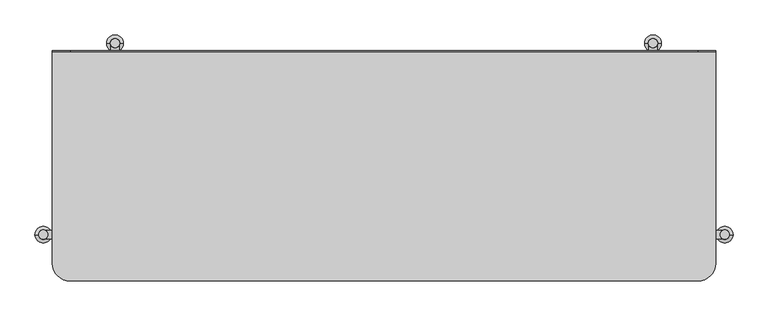
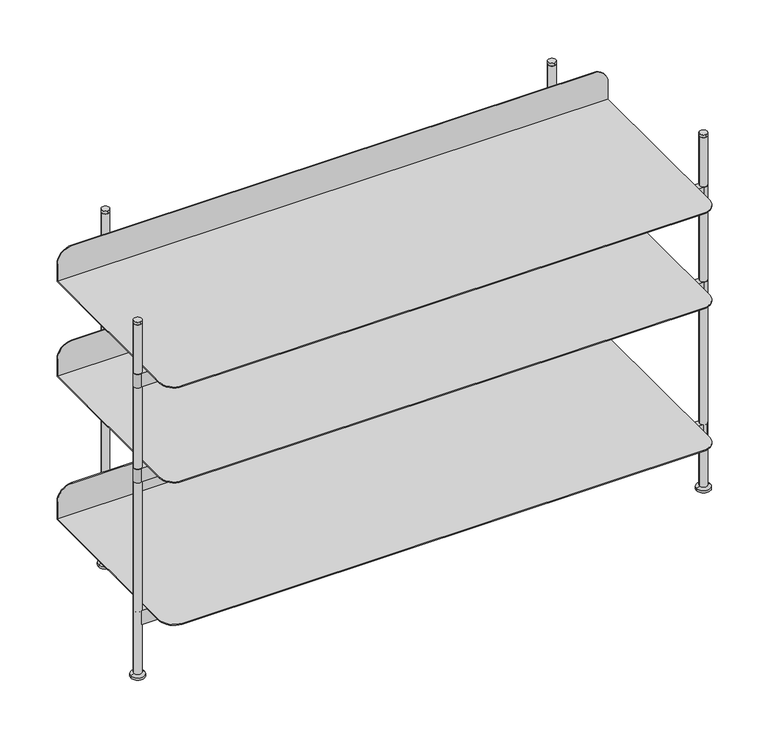
"""IFC4 building model written with IfcOpenShell, lengths in millimetres: furniture geometry."""

from ifc_helpers import new_model, si_unit, point, frame, frame_2d, origin, origin_with_axes, place, context, project, spatial, polyline, circle_curve, trimmed, segment, composite_curve, outline, extrude, source, transform, mapped, element, save
from ifc_brep_helpers import plane_surface, cylinder_surface, revolved_surface, advanced_brep


def furniture_5d4faed7(model_context):
    return source(origin(), model_context, "Body", "SolidModel", [
        advanced_brep(
        [(-575.0000044, -169.5200015, 672.966396), (-544.5200044, -200.0000015, 672.966396), (544.5200044, -200.0000015, 672.966396), (575.0000044, -169.5200015, 672.966396), (575.0000044, 197.9999964, 672.966396), (-575.0000044, 197.9999964, 672.966396), (-575.0000044, -169.5200015, 670.9664), (-575.0000044, 200.0000015, 670.9664), (575.0000044, 200.0000015, 670.9664), (575.0000044, -169.5200015, 670.9664), (544.5200044, -200.0000015, 670.9664), (-544.5200044, -200.0000015, 670.9664), (-575.0000044, 197.9999964, 710.486406), (-575.0000044, 200.0000015, 710.486406), (575.0000044, 200.0000015, 710.486406), (575.0000044, 197.9999964, 710.486406), (-544.5200044, 200.0000015, 740.966406), (544.5200044, 200.0000015, 740.966406), (544.5200044, 197.9999964, 740.966406), (-544.5200044, 197.9999964, 740.966406)],
        [
            (0, 1, circle_curve(frame((-544.5200044, -169.5200015, 672.966396), z_axis=(0.0, 0.0, 1.0), x_axis=(1.0, 0.0, 0.0)), 30.48)),
            (1, 2),
            (2, 3, circle_curve(frame((544.5200044, -169.5200015, 672.966396), z_axis=(0.0, 0.0, 1.0), x_axis=(1.0, 0.0, 0.0)), 30.48)),
            (3, 4),
            (4, 5),
            (5, 0),
            (6, 7),
            (7, 8),
            (8, 9),
            (9, 10, circle_curve(frame((544.5200044, -169.5200015, 670.9664), z_axis=(0.0, 0.0, -1.0), x_axis=(1.0, 0.0, 0.0)), 30.48)),
            (10, 11),
            (11, 6, circle_curve(frame((-544.5200044, -169.5200015, 670.9664), z_axis=(0.0, 0.0, -1.0), x_axis=(1.0, 0.0, 0.0)), 30.48)),
            (6, 0),
            (5, 12),
            (12, 13),
            (13, 7),
            (11, 1),
            (10, 2),
            (9, 3),
            (8, 14),
            (14, 15),
            (15, 4),
            (13, 16, circle_curve(frame((-544.5200044, 200.0000015, 710.486406), z_axis=(0.0, 1.0, 0.0), x_axis=(0.0, 0.0, -1.0)), 30.48)),
            (16, 17),
            (17, 14, circle_curve(frame((544.5200044, 200.0000015, 710.486406), z_axis=(0.0, 1.0, 0.0), x_axis=(0.0, 0.0, -1.0)), 30.48)),
            (15, 18, circle_curve(frame((544.5200044, 197.9999964, 710.486406), z_axis=(0.0, -1.0, 0.0), x_axis=(0.0, 0.0, -1.0)), 30.48)),
            (18, 19),
            (19, 12, circle_curve(frame((-544.5200044, 197.9999964, 710.486406), z_axis=(0.0, -1.0, 0.0), x_axis=(0.0, 0.0, -1.0)), 30.48)),
            (19, 16),
            (18, 17),
        ],
        [
            plane_surface(frame((-575.0000044, -169.9999977, 672.966396), z_axis=(0.0, 0.0, 1.0), x_axis=(0.0, -1.0, 0.0))),
            plane_surface(frame((-575.0000044, -169.9999977, 670.9664), z_axis=(0.0, 0.0, -1.0), x_axis=(0.0, 1.0, 0.0))),
            plane_surface(frame((-575.0000044, 200.0000015, 672.966396), z_axis=(-1.0, 0.0, 0.0), x_axis=(0.0, 0.0, -1.0))),
            cylinder_surface(frame((-544.5200044, -169.5200015, 670.9664), z_axis=(0.0, 0.0, 1.0), x_axis=(1.0, 0.0, 0.0)), 30.48),
            plane_surface(frame((-544.5200044, -200.0000015, 672.966396), z_axis=(0.0, -1.0, 0.0), x_axis=(0.0, 0.0, -1.0))),
            cylinder_surface(frame((544.5200044, -169.5200015, 670.9664), z_axis=(0.0, 0.0, 1.0), x_axis=(1.0, 0.0, 0.0)), 30.48),
            plane_surface(frame((575.0000044, -169.5200015, 672.966396), z_axis=(1.0, 0.0, 0.0), x_axis=(0.0, 0.0, -1.0))),
            plane_surface(frame((575.0000044, 200.0000015, 672.966396), z_axis=(0.0, 1.0, 0.0), x_axis=(0.0, 0.0, -1.0))),
            plane_surface(frame((-544.5200044, 197.9999964, 680.006406), z_axis=(0.0, -1.0, 0.0), x_axis=(1.0, 0.0, 0.0))),
            cylinder_surface(frame((-544.5200044, 197.9999964, 710.486406), z_axis=(0.0, 1.0, 0.0), x_axis=(0.0, 0.0, -1.0)), 30.48),
            plane_surface(frame((-544.5200044, 200.0000015, 740.966406), z_axis=(0.0, 0.0, 1.0), x_axis=(0.0, -1.0, 0.0))),
            cylinder_surface(frame((544.5200044, 197.9999964, 710.486406), z_axis=(0.0, 1.0, 0.0), x_axis=(0.0, 0.0, -1.0)), 30.48),
        ],
        [
            (0, [[1, 2, 3, 4, 5, 6]]),
            (1, [[7, 8, 9, 10, 11, 12]]),
            (2, [[13, -6, 14, 15, 16, -7]]),
            (3, [[-1, -13, -12, 17]]),
            (4, [[-2, -17, -11, 18]]),
            (5, [[-3, -18, -10, 19]]),
            (6, [[-19, -9, 20, 21, 22, -4]]),
            (7, [[-20, -8, -16, 23, 24, 25]]),
            (8, [[26, 27, 28, -14, -5, -22]]),
            (9, [[-28, 29, -23, -15]]),
            (10, [[-27, 30, -24, -29]]),
            (11, [[-26, -21, -25, -30]]),
        ],
    ),
        extrude(outline(composite_curve([segment(polyline([(-459.0003625, 209.8658567), (-459.0003625, -112.0003856), (459.0003625, -112.0003856), (459.0003625, 209.8658567)]), True, "CONTINUOUS"), segment(trimmed(circle_curve(frame_2d((466.5001591, 212.9991354)), 8.128), [point((459.0003625, 209.8658567))], [point((473.999992, 209.8659437))], False, "CARTESIAN"), True, "CONTINUOUS"), segment(polyline([(473.999992, 209.8659437), (473.999992, -112.0003856), (587.8668609, -112.0003856)]), True, "CONTINUOUS"), segment(trimmed(circle_curve(frame_2d((591.0001179, -119.5001913)), 8.128), [point((587.8668609, -112.0003856))], [point((587.8668609, -126.999997))], False, "CARTESIAN"), True, "CONTINUOUS"), segment(polyline([(587.8668609, -126.999997), (-587.8668609, -126.999997)]), True, "CONTINUOUS"), segment(trimmed(circle_curve(frame_2d((-591.0001179, -119.5001913)), 8.128), [point((-587.8668609, -126.999997))], [point((-587.8668609, -112.0003856))], False, "CARTESIAN"), True, "CONTINUOUS"), segment(polyline([(-587.8668609, -112.0003856), (-473.999992, -112.0003856), (-473.999992, 209.8659437)]), True, "CONTINUOUS"), segment(trimmed(circle_curve(frame_2d((-466.5001591, 212.9991354)), 8.128), [point((-473.999992, 209.8659437))], [point((-459.0003625, 209.8658567))], False, "CARTESIAN"), True, "CONTINUOUS")], self_intersect=False)), frame((0.0, 0.0, 640.9663961), z_axis=(0.0, 0.0, 1.0), x_axis=(1.0, 0.0, 0.0)), (0.0, 0.0, 1.0), 30.0000039),
        advanced_brep(
        [(-575.0000044, -169.5200015, 463.136996), (-544.5200044, -200.0000015, 463.136996), (544.5200044, -200.0000015, 463.136996), (575.0000044, -169.5200015, 463.136996), (575.0000044, 197.9999964, 463.136996), (-575.0000044, 197.9999964, 463.136996), (-575.0000044, -169.5200015, 461.137), (-575.0000044, 200.0000015, 461.137), (575.0000044, 200.0000015, 461.137), (575.0000044, -169.5200015, 461.137), (544.5200044, -200.0000015, 461.137), (-544.5200044, -200.0000015, 461.137), (-575.0000044, 197.9999964, 500.657006), (-575.0000044, 200.0000015, 500.657006), (575.0000044, 200.0000015, 500.657006), (575.0000044, 197.9999964, 500.657006), (-544.5200044, 200.0000015, 531.137006), (544.5200044, 200.0000015, 531.137006), (544.5200044, 197.9999964, 531.137006), (-544.5200044, 197.9999964, 531.137006)],
        [
            (0, 1, circle_curve(frame((-544.5200044, -169.5200015, 463.136996), z_axis=(0.0, 0.0, 1.0), x_axis=(1.0, 0.0, 0.0)), 30.48)),
            (1, 2),
            (2, 3, circle_curve(frame((544.5200044, -169.5200015, 463.136996), z_axis=(0.0, 0.0, 1.0), x_axis=(1.0, 0.0, 0.0)), 30.48)),
            (3, 4),
            (4, 5),
            (5, 0),
            (6, 7),
            (7, 8),
            (8, 9),
            (9, 10, circle_curve(frame((544.5200044, -169.5200015, 461.137), z_axis=(0.0, 0.0, -1.0), x_axis=(1.0, 0.0, 0.0)), 30.48)),
            (10, 11),
            (11, 6, circle_curve(frame((-544.5200044, -169.5200015, 461.137), z_axis=(0.0, 0.0, -1.0), x_axis=(1.0, 0.0, 0.0)), 30.48)),
            (6, 0),
            (5, 12),
            (12, 13),
            (13, 7),
            (11, 1),
            (10, 2),
            (9, 3),
            (8, 14),
            (14, 15),
            (15, 4),
            (13, 16, circle_curve(frame((-544.5200044, 200.0000015, 500.657006), z_axis=(0.0, 1.0, 0.0), x_axis=(0.0, 0.0, -1.0)), 30.48)),
            (16, 17),
            (17, 14, circle_curve(frame((544.5200044, 200.0000015, 500.657006), z_axis=(0.0, 1.0, 0.0), x_axis=(0.0, 0.0, -1.0)), 30.48)),
            (15, 18, circle_curve(frame((544.5200044, 197.9999964, 500.657006), z_axis=(0.0, -1.0, 0.0), x_axis=(0.0, 0.0, -1.0)), 30.48)),
            (18, 19),
            (19, 12, circle_curve(frame((-544.5200044, 197.9999964, 500.657006), z_axis=(0.0, -1.0, 0.0), x_axis=(0.0, 0.0, -1.0)), 30.48)),
            (19, 16),
            (18, 17),
        ],
        [
            plane_surface(frame((-575.0000044, -169.9999977, 463.136996), z_axis=(0.0, 0.0, 1.0), x_axis=(0.0, -1.0, 0.0))),
            plane_surface(frame((-575.0000044, -169.9999977, 461.137), z_axis=(0.0, 0.0, -1.0), x_axis=(0.0, 1.0, 0.0))),
            plane_surface(frame((-575.0000044, 200.0000015, 463.136996), z_axis=(-1.0, 0.0, 0.0), x_axis=(0.0, 0.0, -1.0))),
            cylinder_surface(frame((-544.5200044, -169.5200015, 461.137), z_axis=(0.0, 0.0, 1.0), x_axis=(1.0, 0.0, 0.0)), 30.48),
            plane_surface(frame((-544.5200044, -200.0000015, 463.136996), z_axis=(0.0, -1.0, 0.0), x_axis=(0.0, 0.0, -1.0))),
            cylinder_surface(frame((544.5200044, -169.5200015, 461.137), z_axis=(0.0, 0.0, 1.0), x_axis=(1.0, 0.0, 0.0)), 30.48),
            plane_surface(frame((575.0000044, -169.5200015, 463.136996), z_axis=(1.0, 0.0, 0.0), x_axis=(0.0, 0.0, -1.0))),
            plane_surface(frame((575.0000044, 200.0000015, 463.136996), z_axis=(0.0, 1.0, 0.0), x_axis=(0.0, 0.0, -1.0))),
            plane_surface(frame((-544.5200044, 197.9999964, 470.177006), z_axis=(0.0, -1.0, 0.0), x_axis=(1.0, 0.0, 0.0))),
            cylinder_surface(frame((-544.5200044, 197.9999964, 500.657006), z_axis=(0.0, 1.0, 0.0), x_axis=(0.0, 0.0, -1.0)), 30.48),
            plane_surface(frame((-544.5200044, 200.0000015, 531.137006), z_axis=(0.0, 0.0, 1.0), x_axis=(0.0, -1.0, 0.0))),
            cylinder_surface(frame((544.5200044, 197.9999964, 500.657006), z_axis=(0.0, 1.0, 0.0), x_axis=(0.0, 0.0, -1.0)), 30.48),
        ],
        [
            (0, [[1, 2, 3, 4, 5, 6]]),
            (1, [[7, 8, 9, 10, 11, 12]]),
            (2, [[13, -6, 14, 15, 16, -7]]),
            (3, [[-1, -13, -12, 17]]),
            (4, [[-2, -17, -11, 18]]),
            (5, [[-3, -18, -10, 19]]),
            (6, [[-19, -9, 20, 21, 22, -4]]),
            (7, [[-20, -8, -16, 23, 24, 25]]),
            (8, [[26, 27, 28, -14, -5, -22]]),
            (9, [[-28, 29, -23, -15]]),
            (10, [[-27, 30, -24, -29]]),
            (11, [[-26, -21, -25, -30]]),
        ],
    ),
        extrude(outline(composite_curve([segment(polyline([(-459.0003625, 209.8658567), (-459.0003625, -112.0003856), (459.0003625, -112.0003856), (459.0003625, 209.8658567)]), True, "CONTINUOUS"), segment(trimmed(circle_curve(frame_2d((466.5001591, 212.9991354)), 8.128), [point((459.0003625, 209.8658567))], [point((473.999992, 209.8659437))], False, "CARTESIAN"), True, "CONTINUOUS"), segment(polyline([(473.999992, 209.8659437), (473.999992, -112.0003856), (587.8668609, -112.0003856)]), True, "CONTINUOUS"), segment(trimmed(circle_curve(frame_2d((591.0001179, -119.5001913)), 8.128), [point((587.8668609, -112.0003856))], [point((587.8668609, -126.999997))], False, "CARTESIAN"), True, "CONTINUOUS"), segment(polyline([(587.8668609, -126.999997), (-587.8668609, -126.999997)]), True, "CONTINUOUS"), segment(trimmed(circle_curve(frame_2d((-591.0001179, -119.5001913)), 8.128), [point((-587.8668609, -126.999997))], [point((-587.8668609, -112.0003856))], False, "CARTESIAN"), True, "CONTINUOUS"), segment(polyline([(-587.8668609, -112.0003856), (-473.999992, -112.0003856), (-473.999992, 209.8659437)]), True, "CONTINUOUS"), segment(trimmed(circle_curve(frame_2d((-466.5001591, 212.9991354)), 8.128), [point((-473.999992, 209.8659437))], [point((-459.0003625, 209.8658567))], False, "CARTESIAN"), True, "CONTINUOUS")], self_intersect=False)), frame((0.0, 0.0, 431.1369961), z_axis=(0.0, 0.0, 1.0), x_axis=(1.0, 0.0, 0.0)), (0.0, 0.0, 1.0), 30.0000039),
        extrude(outline(composite_curve([segment(trimmed(circle_curve(frame_2d((591.0001179, -119.5001913)), 7.9999841), [point((591.0001179, -111.5002072))], [point((591.0001179, -127.5001754))], False, "CARTESIAN"), True, "CONTINUOUS"), segment(trimmed(circle_curve(frame_2d((591.0001179, -119.5001913)), 7.9999841), [point((591.0001179, -127.5001754))], [point((591.0001179, -111.5002072))], False, "CARTESIAN"), True, "CONTINUOUS")], self_intersect=False)), frame((0.0, 0.0, 780.288), z_axis=(0.0, 0.0, 1.0), x_axis=(1.0, 0.0, 0.0)), (0.0, 0.0, 1.0), 5.715),
        extrude(outline(composite_curve([segment(trimmed(circle_curve(frame_2d((591.0001179, -119.5001913)), 7.9999841), [point((599.0001019, -119.5001913))], [point((583.0001338, -119.5001913))], False, "CARTESIAN"), True, "CONTINUOUS"), segment(trimmed(circle_curve(frame_2d((591.0001179, -119.5001913)), 7.9999841), [point((583.0001338, -119.5001913))], [point((599.0001019, -119.5001913))], False, "CARTESIAN"), True, "CONTINUOUS")], self_intersect=False)), origin_with_axes(), (0.0, 0.0, 1.0), 780.288),
        advanced_brep(
        [(576.5035827, -119.5001913, 0.0), (605.4966531, -119.5001913, 0.0), (599.0001019, -119.5001913, 0.0), (583.0001338, -119.5001913, 0.0), (576.5035827, -119.5001913, 4.5288678), (605.4966531, -119.5001913, 4.5288678), (583.0001338, -119.5001913, 8.2092503), (599.0001019, -119.5001913, 8.2092503)],
        [
            (0, 1, circle_curve(frame((591.0001179, -119.5001913, 0.0), z_axis=(0.0, 0.0, -1.0), x_axis=(1.0, 0.0, 0.0)), 14.4965352)),
            (1, 2),
            (2, 3, circle_curve(frame((591.0001179, -119.5001913, 0.0), z_axis=(0.0, 0.0, 1.0), x_axis=(1.0, 0.0, 0.0)), 7.9999841)),
            (3, 0),
            (4, 5, circle_curve(frame((591.0001179, -119.5001913, 4.5288678), z_axis=(0.0, 0.0, -1.0), x_axis=(1.0, 0.0, 0.0)), 14.4965352)),
            (5, 1),
            (0, 4),
            (6, 7, circle_curve(frame((591.0001179, -119.5001913, 8.2092503), z_axis=(0.0, 0.0, -1.0), x_axis=(1.0, 0.0, 0.0)), 7.9999841)),
            (7, 5),
            (4, 6),
            (2, 7),
            (6, 3),
            (1, 0, circle_curve(frame((591.0001179, -119.5001913, 0.0), z_axis=(0.0, 0.0, -1.0), x_axis=(1.0, 0.0, 0.0)), 14.4965352)),
            (3, 2, circle_curve(frame((591.0001179, -119.5001913, 0.0), z_axis=(0.0, 0.0, 1.0), x_axis=(1.0, 0.0, 0.0)), 7.9999841)),
            (5, 4, circle_curve(frame((591.0001179, -119.5001913, 4.5288678), z_axis=(0.0, 0.0, -1.0), x_axis=(1.0, 0.0, 0.0)), 14.4965352)),
            (7, 6, circle_curve(frame((591.0001179, -119.5001913, 8.2092503), z_axis=(0.0, 0.0, -1.0), x_axis=(1.0, 0.0, 0.0)), 7.9999841)),
        ],
        [
            plane_surface(frame((591.0001179, -119.5001913, 0.0), z_axis=(0.0, 0.0, -1.0), x_axis=(1.0, 0.0, 0.0))),
            cylinder_surface(frame((591.0001179, -119.5001913, 6.2978812), z_axis=(0.0, 0.0, 1.0), x_axis=(1.0, 0.0, 0.0)), 14.4965352),
            revolved_surface(polyline([(605.4966531, -119.5001913, 4.5288678), (599.0001019, -119.5001913, 8.2092503)]), (591.0001179, -119.5001913, 6.2978812), (0.0, 0.0, 1.0)),
            revolved_surface(polyline([(599.000102, -119.5001913, 8.2092503), (599.000102, -119.5001913, 0.0)]), (591.0001179, -119.5001913, 6.2978812), (0.0, 0.0, 1.0)),
        ],
        [
            (0, [[1, 2, 3, 4]]),
            (1, [[5, 6, -1, 7]]),
            (2, [[8, 9, -5, 10]]),
            (3, [[-3, 11, -8, 12]]),
            (0, [[13, -4, 14, -2]]),
            (1, [[15, -7, -13, -6]]),
            (2, [[16, -10, -15, -9]]),
            (3, [[-14, -12, -16, -11]]),
        ],
    ),
        extrude(outline(composite_curve([segment(trimmed(circle_curve(frame_2d((466.5001591, 212.9991354)), 7.9999841), [point((466.5001591, 220.9991195))], [point((466.5001591, 204.9991513))], False, "CARTESIAN"), True, "CONTINUOUS"), segment(trimmed(circle_curve(frame_2d((466.5001591, 212.9991354)), 7.9999841), [point((466.5001591, 204.9991513))], [point((466.5001591, 220.9991195))], False, "CARTESIAN"), True, "CONTINUOUS")], self_intersect=False)), frame((0.0, 0.0, 780.288), z_axis=(0.0, 0.0, 1.0), x_axis=(1.0, 0.0, 0.0)), (0.0, 0.0, 1.0), 5.715),
        extrude(outline(composite_curve([segment(trimmed(circle_curve(frame_2d((466.5001591, 212.9991354)), 7.9999841), [point((474.5001431, 212.9991354))], [point((458.500175, 212.9991354))], False, "CARTESIAN"), True, "CONTINUOUS"), segment(trimmed(circle_curve(frame_2d((466.5001591, 212.9991354)), 7.9999841), [point((458.500175, 212.9991354))], [point((474.5001431, 212.9991354))], False, "CARTESIAN"), True, "CONTINUOUS")], self_intersect=False)), origin_with_axes(), (0.0, 0.0, 1.0), 780.288),
        advanced_brep(
        [(452.0036239, 212.9991354, 0.0), (480.9966943, 212.9991354, 0.0), (474.5001431, 212.9991354, 0.0), (458.500175, 212.9991354, 0.0), (452.0036239, 212.9991354, 4.5288678), (480.9966943, 212.9991354, 4.5288678), (458.500175, 212.9991354, 8.2092503), (474.5001431, 212.9991354, 8.2092503)],
        [
            (0, 1, circle_curve(frame((466.5001591, 212.9991354, 0.0), z_axis=(0.0, 0.0, -1.0), x_axis=(1.0, 0.0, 0.0)), 14.4965352)),
            (1, 2),
            (2, 3, circle_curve(frame((466.5001591, 212.9991354, 0.0), z_axis=(0.0, 0.0, 1.0), x_axis=(1.0, 0.0, 0.0)), 7.9999841)),
            (3, 0),
            (4, 5, circle_curve(frame((466.5001591, 212.9991354, 4.5288678), z_axis=(0.0, 0.0, -1.0), x_axis=(1.0, 0.0, 0.0)), 14.4965352)),
            (5, 1),
            (0, 4),
            (6, 7, circle_curve(frame((466.5001591, 212.9991354, 8.2092503), z_axis=(0.0, 0.0, -1.0), x_axis=(1.0, 0.0, 0.0)), 7.9999841)),
            (7, 5),
            (4, 6),
            (2, 7),
            (6, 3),
            (1, 0, circle_curve(frame((466.5001591, 212.9991354, 0.0), z_axis=(0.0, 0.0, -1.0), x_axis=(1.0, 0.0, 0.0)), 14.4965352)),
            (3, 2, circle_curve(frame((466.5001591, 212.9991354, 0.0), z_axis=(0.0, 0.0, 1.0), x_axis=(1.0, 0.0, 0.0)), 7.9999841)),
            (5, 4, circle_curve(frame((466.5001591, 212.9991354, 4.5288678), z_axis=(0.0, 0.0, -1.0), x_axis=(1.0, 0.0, 0.0)), 14.4965352)),
            (7, 6, circle_curve(frame((466.5001591, 212.9991354, 8.2092503), z_axis=(0.0, 0.0, -1.0), x_axis=(1.0, 0.0, 0.0)), 7.9999841)),
        ],
        [
            plane_surface(frame((466.5001591, 212.9991354, 0.0), z_axis=(0.0, 0.0, -1.0), x_axis=(1.0, 0.0, 0.0))),
            cylinder_surface(frame((466.5001591, 212.9991354, 6.2978812), z_axis=(0.0, 0.0, 1.0), x_axis=(1.0, 0.0, 0.0)), 14.4965352),
            revolved_surface(polyline([(480.9966943, 212.9991354, 4.5288678), (474.5001431, 212.9991354, 8.2092503)]), (466.5001591, 212.9991354, 6.2978812), (0.0, 0.0, 1.0)),
            revolved_surface(polyline([(474.5001432, 212.9991354, 8.2092503), (474.5001432, 212.9991354, 0.0)]), (466.5001591, 212.9991354, 6.2978812), (0.0, 0.0, 1.0)),
        ],
        [
            (0, [[1, 2, 3, 4]]),
            (1, [[5, 6, -1, 7]]),
            (2, [[8, 9, -5, 10]]),
            (3, [[-3, 11, -8, 12]]),
            (0, [[13, -4, 14, -2]]),
            (1, [[15, -7, -13, -6]]),
            (2, [[16, -10, -15, -9]]),
            (3, [[-14, -12, -16, -11]]),
        ],
    ),
        extrude(outline(composite_curve([segment(trimmed(circle_curve(frame_2d((-591.0001179, -119.5001913)), 7.9999841), [point((-591.0001179, -111.5002072))], [point((-591.0001179, -127.5001754))], False, "CARTESIAN"), True, "CONTINUOUS"), segment(trimmed(circle_curve(frame_2d((-591.0001179, -119.5001913)), 7.9999841), [point((-591.0001179, -127.5001754))], [point((-591.0001179, -111.5002072))], False, "CARTESIAN"), True, "CONTINUOUS")], self_intersect=False)), frame((0.0, 0.0, 780.288), z_axis=(0.0, 0.0, 1.0), x_axis=(1.0, 0.0, 0.0)), (0.0, 0.0, 1.0), 5.715),
        extrude(outline(composite_curve([segment(trimmed(circle_curve(frame_2d((-591.0001179, -119.5001913)), 7.9999841), [point((-583.0001338, -119.5001913))], [point((-599.0001019, -119.5001913))], False, "CARTESIAN"), True, "CONTINUOUS"), segment(trimmed(circle_curve(frame_2d((-591.0001179, -119.5001913)), 7.9999841), [point((-599.0001019, -119.5001913))], [point((-583.0001338, -119.5001913))], False, "CARTESIAN"), True, "CONTINUOUS")], self_intersect=False)), origin_with_axes(), (0.0, 0.0, 1.0), 780.288),
        advanced_brep(
        [(-605.4966531, -119.5001913, 0.0), (-576.5035827, -119.5001913, 0.0), (-583.0001338, -119.5001913, 0.0), (-599.0001019, -119.5001913, 0.0), (-605.4966531, -119.5001913, 4.5288678), (-576.5035827, -119.5001913, 4.5288678), (-599.0001019, -119.5001913, 8.2092503), (-583.0001338, -119.5001913, 8.2092503)],
        [
            (0, 1, circle_curve(frame((-591.0001179, -119.5001913, 0.0), z_axis=(0.0, 0.0, -1.0), x_axis=(1.0, 0.0, 0.0)), 14.4965352)),
            (1, 2),
            (2, 3, circle_curve(frame((-591.0001179, -119.5001913, 0.0), z_axis=(0.0, 0.0, 1.0), x_axis=(1.0, 0.0, 0.0)), 7.9999841)),
            (3, 0),
            (4, 5, circle_curve(frame((-591.0001179, -119.5001913, 4.5288678), z_axis=(0.0, 0.0, -1.0), x_axis=(1.0, 0.0, 0.0)), 14.4965352)),
            (5, 1),
            (0, 4),
            (6, 7, circle_curve(frame((-591.0001179, -119.5001913, 8.2092503), z_axis=(0.0, 0.0, -1.0), x_axis=(1.0, 0.0, 0.0)), 7.9999841)),
            (7, 5),
            (4, 6),
            (2, 7),
            (6, 3),
            (1, 0, circle_curve(frame((-591.0001179, -119.5001913, 0.0), z_axis=(0.0, 0.0, -1.0), x_axis=(1.0, 0.0, 0.0)), 14.4965352)),
            (3, 2, circle_curve(frame((-591.0001179, -119.5001913, 0.0), z_axis=(0.0, 0.0, 1.0), x_axis=(1.0, 0.0, 0.0)), 7.9999841)),
            (5, 4, circle_curve(frame((-591.0001179, -119.5001913, 4.5288678), z_axis=(0.0, 0.0, -1.0), x_axis=(1.0, 0.0, 0.0)), 14.4965352)),
            (7, 6, circle_curve(frame((-591.0001179, -119.5001913, 8.2092503), z_axis=(0.0, 0.0, -1.0), x_axis=(1.0, 0.0, 0.0)), 7.9999841)),
        ],
        [
            plane_surface(frame((-591.0001179, -119.5001913, 0.0), z_axis=(0.0, 0.0, -1.0), x_axis=(1.0, 0.0, 0.0))),
            cylinder_surface(frame((-591.0001179, -119.5001913, 6.2978812), z_axis=(0.0, 0.0, 1.0), x_axis=(1.0, 0.0, 0.0)), 14.4965352),
            revolved_surface(polyline([(-576.5035827, -119.5001913, 4.5288678), (-583.0001338, -119.5001913, 8.2092503)]), (-591.0001179, -119.5001913, 6.2978812), (0.0, 0.0, 1.0)),
            revolved_surface(polyline([(-583.0001338, -119.5001913, 8.2092503), (-583.0001338, -119.5001913, 0.0)]), (-591.0001179, -119.5001913, 6.2978812), (0.0, 0.0, 1.0)),
        ],
        [
            (0, [[1, 2, 3, 4]]),
            (1, [[5, 6, -1, 7]]),
            (2, [[8, 9, -5, 10]]),
            (3, [[-3, 11, -8, 12]]),
            (0, [[13, -4, 14, -2]]),
            (1, [[15, -7, -13, -6]]),
            (2, [[16, -10, -15, -9]]),
            (3, [[-14, -12, -16, -11]]),
        ],
    ),
        extrude(outline(composite_curve([segment(trimmed(circle_curve(frame_2d((-466.5001591, 212.9991354)), 7.9999841), [point((-466.5001591, 220.9991195))], [point((-466.5001591, 204.9991513))], False, "CARTESIAN"), True, "CONTINUOUS"), segment(trimmed(circle_curve(frame_2d((-466.5001591, 212.9991354)), 7.9999841), [point((-466.5001591, 204.9991513))], [point((-466.5001591, 220.9991195))], False, "CARTESIAN"), True, "CONTINUOUS")], self_intersect=False)), frame((0.0, 0.0, 780.288), z_axis=(0.0, 0.0, 1.0), x_axis=(1.0, 0.0, 0.0)), (0.0, 0.0, 1.0), 5.715),
        extrude(outline(composite_curve([segment(trimmed(circle_curve(frame_2d((-466.5001591, 212.9991354)), 7.9999841), [point((-458.500175, 212.9991354))], [point((-474.5001431, 212.9991354))], False, "CARTESIAN"), True, "CONTINUOUS"), segment(trimmed(circle_curve(frame_2d((-466.5001591, 212.9991354)), 7.9999841), [point((-474.5001431, 212.9991354))], [point((-458.500175, 212.9991354))], False, "CARTESIAN"), True, "CONTINUOUS")], self_intersect=False)), origin_with_axes(), (0.0, 0.0, 1.0), 780.288),
        advanced_brep(
        [(-480.9966943, 212.9991354, 0.0), (-452.0036239, 212.9991354, 0.0), (-458.500175, 212.9991354, 0.0), (-474.5001431, 212.9991354, 0.0), (-480.9966943, 212.9991354, 4.5288678), (-452.0036239, 212.9991354, 4.5288678), (-474.5001431, 212.9991354, 8.2092503), (-458.500175, 212.9991354, 8.2092503)],
        [
            (0, 1, circle_curve(frame((-466.5001591, 212.9991354, 0.0), z_axis=(0.0, 0.0, -1.0), x_axis=(1.0, 0.0, 0.0)), 14.4965352)),
            (1, 2),
            (2, 3, circle_curve(frame((-466.5001591, 212.9991354, 0.0), z_axis=(0.0, 0.0, 1.0), x_axis=(1.0, 0.0, 0.0)), 7.9999841)),
            (3, 0),
            (4, 5, circle_curve(frame((-466.5001591, 212.9991354, 4.5288678), z_axis=(0.0, 0.0, -1.0), x_axis=(1.0, 0.0, 0.0)), 14.4965352)),
            (5, 1),
            (0, 4),
            (6, 7, circle_curve(frame((-466.5001591, 212.9991354, 8.2092503), z_axis=(0.0, 0.0, -1.0), x_axis=(1.0, 0.0, 0.0)), 7.9999841)),
            (7, 5),
            (4, 6),
            (2, 7),
            (6, 3),
            (1, 0, circle_curve(frame((-466.5001591, 212.9991354, 0.0), z_axis=(0.0, 0.0, -1.0), x_axis=(1.0, 0.0, 0.0)), 14.4965352)),
            (3, 2, circle_curve(frame((-466.5001591, 212.9991354, 0.0), z_axis=(0.0, 0.0, 1.0), x_axis=(1.0, 0.0, 0.0)), 7.9999841)),
            (5, 4, circle_curve(frame((-466.5001591, 212.9991354, 4.5288678), z_axis=(0.0, 0.0, -1.0), x_axis=(1.0, 0.0, 0.0)), 14.4965352)),
            (7, 6, circle_curve(frame((-466.5001591, 212.9991354, 8.2092503), z_axis=(0.0, 0.0, -1.0), x_axis=(1.0, 0.0, 0.0)), 7.9999841)),
        ],
        [
            plane_surface(frame((-466.5001591, 212.9991354, 0.0), z_axis=(0.0, 0.0, -1.0), x_axis=(1.0, 0.0, 0.0))),
            cylinder_surface(frame((-466.5001591, 212.9991354, 6.2978812), z_axis=(0.0, 0.0, 1.0), x_axis=(1.0, 0.0, 0.0)), 14.4965352),
            revolved_surface(polyline([(-452.0036239, 212.9991354, 4.5288678), (-458.500175, 212.9991354, 8.2092503)]), (-466.5001591, 212.9991354, 6.2978812), (0.0, 0.0, 1.0)),
            revolved_surface(polyline([(-458.500175, 212.9991354, 8.2092503), (-458.500175, 212.9991354, 0.0)]), (-466.5001591, 212.9991354, 6.2978812), (0.0, 0.0, 1.0)),
        ],
        [
            (0, [[1, 2, 3, 4]]),
            (1, [[5, 6, -1, 7]]),
            (2, [[8, 9, -5, 10]]),
            (3, [[-3, 11, -8, 12]]),
            (0, [[13, -4, 14, -2]]),
            (1, [[15, -7, -13, -6]]),
            (2, [[16, -10, -15, -9]]),
            (3, [[-14, -12, -16, -11]]),
        ],
    ),
        advanced_brep(
        [(-575.0000044, -169.5200015, 148.151596), (-544.5200044, -200.0000015, 148.151596), (544.5200044, -200.0000015, 148.151596), (575.0000044, -169.5200015, 148.151596), (575.0000044, 197.9999964, 148.151596), (-575.0000044, 197.9999964, 148.151596), (-575.0000044, -169.5200015, 146.1516), (-575.0000044, 200.0000015, 146.1516), (575.0000044, 200.0000015, 146.1516), (575.0000044, -169.5200015, 146.1516), (544.5200044, -200.0000015, 146.1516), (-544.5200044, -200.0000015, 146.1516), (-575.0000044, 197.9999964, 185.671606), (-575.0000044, 200.0000015, 185.671606), (575.0000044, 200.0000015, 185.671606), (575.0000044, 197.9999964, 185.671606), (-544.5200044, 200.0000015, 216.151606), (544.5200044, 200.0000015, 216.151606), (544.5200044, 197.9999964, 216.151606), (-544.5200044, 197.9999964, 216.151606)],
        [
            (0, 1, circle_curve(frame((-544.5200044, -169.5200015, 148.151596), z_axis=(0.0, 0.0, 1.0), x_axis=(1.0, 0.0, 0.0)), 30.48)),
            (1, 2),
            (2, 3, circle_curve(frame((544.5200044, -169.5200015, 148.151596), z_axis=(0.0, 0.0, 1.0), x_axis=(1.0, 0.0, 0.0)), 30.48)),
            (3, 4),
            (4, 5),
            (5, 0),
            (6, 7),
            (7, 8),
            (8, 9),
            (9, 10, circle_curve(frame((544.5200044, -169.5200015, 146.1516), z_axis=(0.0, 0.0, -1.0), x_axis=(1.0, 0.0, 0.0)), 30.48)),
            (10, 11),
            (11, 6, circle_curve(frame((-544.5200044, -169.5200015, 146.1516), z_axis=(0.0, 0.0, -1.0), x_axis=(1.0, 0.0, 0.0)), 30.48)),
            (6, 0),
            (5, 12),
            (12, 13),
            (13, 7),
            (11, 1),
            (10, 2),
            (9, 3),
            (8, 14),
            (14, 15),
            (15, 4),
            (13, 16, circle_curve(frame((-544.5200044, 200.0000015, 185.671606), z_axis=(0.0, 1.0, 0.0), x_axis=(0.0, 0.0, -1.0)), 30.48)),
            (16, 17),
            (17, 14, circle_curve(frame((544.5200044, 200.0000015, 185.671606), z_axis=(0.0, 1.0, 0.0), x_axis=(0.0, 0.0, -1.0)), 30.48)),
            (15, 18, circle_curve(frame((544.5200044, 197.9999964, 185.671606), z_axis=(0.0, -1.0, 0.0), x_axis=(0.0, 0.0, -1.0)), 30.48)),
            (18, 19),
            (19, 12, circle_curve(frame((-544.5200044, 197.9999964, 185.671606), z_axis=(0.0, -1.0, 0.0), x_axis=(0.0, 0.0, -1.0)), 30.48)),
            (19, 16),
            (18, 17),
        ],
        [
            plane_surface(frame((-575.0000044, -169.9999977, 148.151596), z_axis=(0.0, 0.0, 1.0), x_axis=(0.0, -1.0, 0.0))),
            plane_surface(frame((-575.0000044, -169.9999977, 146.1516), z_axis=(0.0, 0.0, -1.0), x_axis=(0.0, 1.0, 0.0))),
            plane_surface(frame((-575.0000044, 200.0000015, 148.151596), z_axis=(-1.0, 0.0, 0.0), x_axis=(0.0, 0.0, -1.0))),
            cylinder_surface(frame((-544.5200044, -169.5200015, 146.1516), z_axis=(0.0, 0.0, 1.0), x_axis=(1.0, 0.0, 0.0)), 30.48),
            plane_surface(frame((-544.5200044, -200.0000015, 148.151596), z_axis=(0.0, -1.0, 0.0), x_axis=(0.0, 0.0, -1.0))),
            cylinder_surface(frame((544.5200044, -169.5200015, 146.1516), z_axis=(0.0, 0.0, 1.0), x_axis=(1.0, 0.0, 0.0)), 30.48),
            plane_surface(frame((575.0000044, -169.5200015, 148.151596), z_axis=(1.0, 0.0, 0.0), x_axis=(0.0, 0.0, -1.0))),
            plane_surface(frame((575.0000044, 200.0000015, 148.151596), z_axis=(0.0, 1.0, 0.0), x_axis=(0.0, 0.0, -1.0))),
            plane_surface(frame((-544.5200044, 197.9999964, 155.191606), z_axis=(0.0, -1.0, 0.0), x_axis=(1.0, 0.0, 0.0))),
            cylinder_surface(frame((-544.5200044, 197.9999964, 185.671606), z_axis=(0.0, 1.0, 0.0), x_axis=(0.0, 0.0, -1.0)), 30.48),
            plane_surface(frame((-544.5200044, 200.0000015, 216.151606), z_axis=(0.0, 0.0, 1.0), x_axis=(0.0, -1.0, 0.0))),
            cylinder_surface(frame((544.5200044, 197.9999964, 185.671606), z_axis=(0.0, 1.0, 0.0), x_axis=(0.0, 0.0, -1.0)), 30.48),
        ],
        [
            (0, [[1, 2, 3, 4, 5, 6]]),
            (1, [[7, 8, 9, 10, 11, 12]]),
            (2, [[13, -6, 14, 15, 16, -7]]),
            (3, [[-1, -13, -12, 17]]),
            (4, [[-2, -17, -11, 18]]),
            (5, [[-3, -18, -10, 19]]),
            (6, [[-19, -9, 20, 21, 22, -4]]),
            (7, [[-20, -8, -16, 23, 24, 25]]),
            (8, [[26, 27, 28, -14, -5, -22]]),
            (9, [[-28, 29, -23, -15]]),
            (10, [[-27, 30, -24, -29]]),
            (11, [[-26, -21, -25, -30]]),
        ],
    ),
        extrude(outline(composite_curve([segment(polyline([(-459.0003625, 209.8658567), (-459.0003625, -112.0003856), (459.0003625, -112.0003856), (459.0003625, 209.8658567)]), True, "CONTINUOUS"), segment(trimmed(circle_curve(frame_2d((466.5001591, 212.9991354)), 8.128), [point((459.0003625, 209.8658567))], [point((473.999992, 209.8659437))], False, "CARTESIAN"), True, "CONTINUOUS"), segment(polyline([(473.999992, 209.8659437), (473.999992, -112.0003856), (587.8668609, -112.0003856)]), True, "CONTINUOUS"), segment(trimmed(circle_curve(frame_2d((591.0001179, -119.5001913)), 8.128), [point((587.8668609, -112.0003856))], [point((587.8668609, -126.999997))], False, "CARTESIAN"), True, "CONTINUOUS"), segment(polyline([(587.8668609, -126.999997), (-587.8668609, -126.999997)]), True, "CONTINUOUS"), segment(trimmed(circle_curve(frame_2d((-591.0001179, -119.5001913)), 8.128), [point((-587.8668609, -126.999997))], [point((-587.8668609, -112.0003856))], False, "CARTESIAN"), True, "CONTINUOUS"), segment(polyline([(-587.8668609, -112.0003856), (-473.999992, -112.0003856), (-473.999992, 209.8659437)]), True, "CONTINUOUS"), segment(trimmed(circle_curve(frame_2d((-466.5001591, 212.9991354)), 8.128), [point((-473.999992, 209.8659437))], [point((-459.0003625, 209.8658567))], False, "CARTESIAN"), True, "CONTINUOUS")], self_intersect=False)), frame((0.0, 0.0, 116.1515961), z_axis=(0.0, 0.0, 1.0), x_axis=(1.0, 0.0, 0.0)), (0.0, 0.0, 1.0), 30.0000039),
    ])


if __name__ == "__main__":
    model = new_model("IFC4")
    model_context = context("Model", 3, world=origin())
    ifc_project = project(units=[si_unit("LENGTHUNIT", "METRE", prefix="MILLI")], contexts=[model_context])
    site = spatial("IfcSite", under=ifc_project)
    building = spatial("IfcBuilding", under=site)
    placement = place(None, origin())
    furniture_shape = furniture_5d4faed7(model_context)
    element("IfcFurniture", 1, at=placement, inside=building, context=model_context, shape_type="MappedRepresentation", body=[
        mapped(furniture_shape, transform((0.0, 0.0, 0.0), x_axis=(1.0, 0.0, 0.0), y_axis=(0.0, 1.0, 0.0), z_axis=(0.0, 0.0, 1.0))),
    ])
    save(model, "model.ifc")
